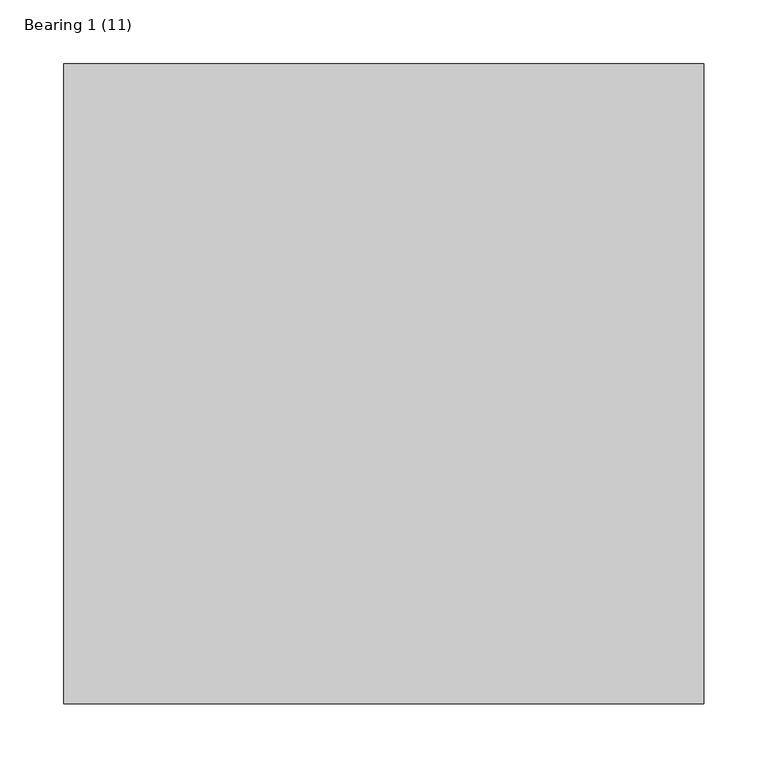
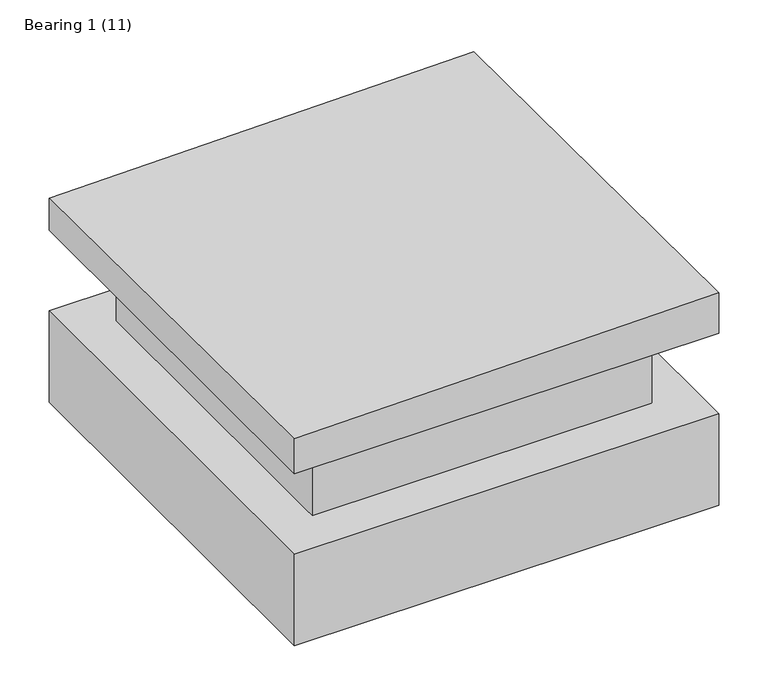
"""IFC4 building model written with IfcOpenShell, lengths in millimetres: proxy geometry, Bearing 1 (11)."""

import ifcopenshell
import ifcopenshell.guid

model = None  # the IFC model being written
_history = None  # IfcOwnerHistory: only IFC2X3 demands one
_inside = {}  # id of a spatial element -> (the spatial element, [elements in it])
_under = {}  # id of a project, library or spatial element -> (it, [spatial elements below it])
_declared = {}  # id of a project -> (the project, [libraries it declares])
_typed = {}  # id of a type object -> (the type object, [elements of that type])
_made_of = {}  # id of a material, layer set ... -> (it, [elements and type objects made of it])


def new_model(schema):
    """Start an empty IFC model of exactly this schema.

    Asked for "IFC4X3", IfcOpenShell would pick the latest addendum, in which some entities
    have other attributes; the version numbers below select the first issue.
    IFC2X3 requires an IfcOwnerHistory on every rooted entity: one is made here for all.
    """
    global model, _history
    if schema == "IFC4X3":
        model = ifcopenshell.file(schema_version=(4, 3, 0, 0))
    else:
        model = ifcopenshell.file(schema=schema)
    _inside.clear()
    _under.clear()
    _declared.clear()
    _typed.clear()
    _made_of.clear()
    _history = None
    if model.schema == "IFC2X3":
        org = make("IfcOrganization", Name="unknown")
        user = make(
            "IfcPersonAndOrganization",
            ThePerson=make("IfcPerson", FamilyName="unknown"),
            TheOrganization=org,
        )
        app = make(
            "IfcApplication",
            ApplicationDeveloper=org,
            Version="unknown",
            ApplicationFullName="unknown",
            ApplicationIdentifier="unknown",
        )
        _history = make(
            "IfcOwnerHistory",
            OwningUser=user,
            OwningApplication=app,
            ChangeAction="ADDED",
            CreationDate=0,
        )
    return model


def make(cls, **values):
    """One entity of the class cls with the attributes given. An attribute that is None is left unset."""
    return model.create_entity(
        cls, **{name: value for name, value in values.items() if value is not None}
    )


def rooted(cls, **values):
    """An entity with a GlobalId (a new one), such as an element, a storey or a relation."""
    return make(cls, GlobalId=ifcopenshell.guid.new(), OwnerHistory=_history, **values)


def si_unit(unit_type, name, prefix=None):
    """IfcSIUnit, for example si_unit("LENGTHUNIT", "METRE", prefix="MILLI")."""
    return make("IfcSIUnit", UnitType=unit_type, Prefix=prefix, Name=name)


def assignment(units):
    """IfcUnitAssignment: the units of a project."""
    return None if units is None else make("IfcUnitAssignment", Units=units)


def point(xyz):
    """IfcCartesianPoint."""
    return None if xyz is None else make("IfcCartesianPoint", Coordinates=xyz)


def direction(xyz):
    """IfcDirection."""
    return None if xyz is None else make("IfcDirection", DirectionRatios=xyz)


def frame(location, z_axis=None, x_axis=None):
    """IfcAxis2Placement3D, a coordinate frame: its origin and axes. An axis left out is left unset."""
    return make(
        "IfcAxis2Placement3D",
        Location=point(location),
        Axis=direction(z_axis),
        RefDirection=direction(x_axis),
    )


def origin():
    """The frame at (0, 0, 0) with its axes left unset."""
    return frame((0.0, 0.0, 0.0))


def origin_with_axes():
    """The frame at (0, 0, 0) with the z axis (0, 0, 1) and the x axis (1, 0, 0) written out."""
    return frame((0.0, 0.0, 0.0), z_axis=(0.0, 0.0, 1.0), x_axis=(1.0, 0.0, 0.0))


def place(relative_to, where):
    """IfcLocalPlacement: puts the frame where relative to a parent placement (None: the world)."""
    return make(
        "IfcLocalPlacement", PlacementRelTo=relative_to, RelativePlacement=where
    )


def context(
    kind, dimensions, precision=None, world=None, true_north=None, identifier=None
):
    """IfcGeometricRepresentationContext, for example the 3D "Model" context."""
    return make(
        "IfcGeometricRepresentationContext",
        ContextIdentifier=identifier,
        ContextType=kind,
        CoordinateSpaceDimension=dimensions,
        Precision=precision,
        WorldCoordinateSystem=world,
        TrueNorth=true_north,
    )


def project(units=None, contexts=None):
    """IfcProject with its units and contexts."""
    return rooted(
        "IfcProject",
        Name="project",
        RepresentationContexts=contexts,
        UnitsInContext=assignment(units),
    )


def spatial(cls, under=None, at=None, **own):
    """A site, building, storey or space (cls), placed at a placement, below another one or the project."""
    s = rooted(cls, ObjectPlacement=at, **own)
    if under is not None:
        _under.setdefault(under.id(), (under, []))[1].append(s)
    return s


def polyline(points):
    """IfcPolyline through the points."""
    return make("IfcPolyline", Points=[point(p) for p in points])


def outline(outer, holes=None, kind="AREA"):
    """IfcArbitraryClosedProfileDef: a profile drawn as a closed curve; with holes, ...WithVoids."""
    if holes is None:
        return make("IfcArbitraryClosedProfileDef", ProfileType=kind, OuterCurve=outer)
    return make(
        "IfcArbitraryProfileDefWithVoids",
        ProfileType=kind,
        OuterCurve=outer,
        InnerCurves=holes,
    )


def extrude(swept, where, along, depth):
    """IfcExtrudedAreaSolid: the profile swept, set in the frame where, extruded along a direction by depth."""
    return make(
        "IfcExtrudedAreaSolid",
        SweptArea=swept,
        Position=where,
        ExtrudedDirection=direction(along),
        Depth=depth,
    )


def faces_of(points, faces, orient=None, outer=None):
    """IfcFace entities. A face is a list of loops; a loop is a list of indices into points, from 0.

    orient and outer hold one flag for each loop. By default every Orientation is true, the
    first loop of a face is its IfcFaceOuterBound and the others are IfcFaceBound.
    """
    made = []
    for i, loops in enumerate(faces):
        bounds = []
        for j, loop in enumerate(loops):
            is_outer = j == 0 if outer is None else outer[i][j]
            bounds.append(
                make(
                    "IfcFaceOuterBound" if is_outer else "IfcFaceBound",
                    Bound=make("IfcPolyLoop", Polygon=[points[k] for k in loop]),
                    Orientation=True if orient is None else orient[i][j],
                )
            )
        made.append(make("IfcFace", Bounds=bounds))
    return made


def faceted_brep(points, faces, orient=None, outer=None, voids=None):
    """IfcFacetedBrep: a solid bounded by flat faces; with voids (closed shells), ...WithVoids."""
    shared = [point(p) for p in points]
    hull = make("IfcClosedShell", CfsFaces=faces_of(shared, faces, orient, outer))
    if voids is None:
        return make("IfcFacetedBrep", Outer=hull)
    return make(
        "IfcFacetedBrepWithVoids",
        Outer=hull,
        Voids=[
            make(cls, CfsFaces=faces_of(shared, fs, o, b)) for cls, fs, o, b in voids
        ],
    )


def shape(context_of_items, identifier, shape_type, items):
    """IfcShapeRepresentation: the items that make up one representation, for example the "Body"."""
    return make(
        "IfcShapeRepresentation",
        ContextOfItems=context_of_items,
        RepresentationIdentifier=identifier,
        RepresentationType=shape_type,
        Items=items,
    )


def source(mapping_origin, context_of_items, identifier, shape_type, items):
    """IfcRepresentationMap: a shape defined once, which mapped items show again and again."""
    return make(
        "IfcRepresentationMap",
        MappingOrigin=mapping_origin,
        MappedRepresentation=shape(context_of_items, identifier, shape_type, items),
    )


def transform(
    local_origin,
    x_axis=None,
    y_axis=None,
    z_axis=None,
    scale=None,
    scale2=None,
    scale3=None,
    uniform=True,
):
    """IfcCartesianTransformationOperator3D, or its non-uniform kind. x_axis, y_axis, z_axis: its Axis1, 2, 3."""
    if uniform:
        return make(
            "IfcCartesianTransformationOperator3D",
            Axis1=direction(x_axis),
            Axis2=direction(y_axis),
            LocalOrigin=point(local_origin),
            Scale=scale,
            Axis3=direction(z_axis),
        )
    return make(
        "IfcCartesianTransformationOperator3DnonUniform",
        Axis1=direction(x_axis),
        Axis2=direction(y_axis),
        LocalOrigin=point(local_origin),
        Scale=scale,
        Axis3=direction(z_axis),
        Scale2=scale2,
        Scale3=scale3,
    )


def mapped(mapping_source, mapping_target):
    """IfcMappedItem: shows the shape of a source again, moved by a transform."""
    return make(
        "IfcMappedItem", MappingSource=mapping_source, MappingTarget=mapping_target
    )


def made_of(thing, what):
    """Note that an element or type object is made of a material, layer set ...; save() writes the relation."""
    if what is not None:
        _made_of.setdefault(what.id(), (what, []))[1].append(thing)
    return thing


def element(
    cls,
    number,
    at=None,
    inside=None,
    cuts=None,
    type_object=None,
    material=None,
    context=None,
    identifier="Body",
    shape_type=None,
    held_by="IfcProductDefinitionShape",
    body=None,
    shapes=None,
    **own,
):
    """One element of the class cls, such as IfcWall. Its Tag is "e" and its number.

    at: its placement. inside: the storey or other place that contains it. cuts: it is an
    opening in that element (IfcRelVoidsElement). A single representation is given by context,
    identifier, shape_type and body (its items); several are given by shapes. held_by: the class
    of the entity that holds the representations. save() writes the other relations.
    """
    e = rooted(cls, Tag="e%d" % number, ObjectPlacement=at, **own)
    if body is not None:
        shapes = [shape(context, identifier, shape_type, body)]
    if shapes is not None:
        e.Representation = make(held_by, Representations=shapes)
    if inside is not None:
        _inside.setdefault(inside.id(), (inside, []))[1].append(e)
    if cuts is not None:
        rooted(
            "IfcRelVoidsElement", RelatingBuildingElement=cuts, RelatedOpeningElement=e
        )
    if type_object is not None:
        _typed.setdefault(type_object.id(), (type_object, []))[1].append(e)
    return made_of(e, material)


def aggregate(whole, parts):
    """IfcRelAggregates: a whole, such as a stair, and the parts it consists of."""
    return rooted("IfcRelAggregates", RelatingObject=whole, RelatedObjects=parts)


def save(model, path):
    """Write the relations noted so far, then the file.

    IfcRelAggregates (storeys below a building ...), IfcRelContainedInSpatialStructure (elements
    in a storey), IfcRelDefinesByType, IfcRelAssociatesMaterial and IfcRelDeclares: one each for
    every whole, place, type object, material and project.
    """
    for whole, parts in _under.values():
        aggregate(whole, parts)
    for where, things in _inside.values():
        rooted(
            "IfcRelContainedInSpatialStructure",
            RelatedElements=things,
            RelatingStructure=where,
        )
    for kind, things in _typed.values():
        rooted("IfcRelDefinesByType", RelatedObjects=things, RelatingType=kind)
    for what, things in _made_of.values():
        rooted("IfcRelAssociatesMaterial", RelatedObjects=things, RelatingMaterial=what)
    for by, libraries in _declared.values():
        rooted("IfcRelDeclares", RelatingContext=by, RelatedDefinitions=libraries)
    model.write(path)


def bearing_1_11_078320f3(model_context):
    return source(origin(), model_context, "Body", "SolidModel", [
        extrude(outline(polyline([(-250.0, 250.0), (250.0, 250.0), (250.0, -250.0), (-250.0, -250.0), (-250.0, 250.0)])), origin_with_axes(), (0.0, 0.0, 1.0), 114.0),
        faceted_brep([(-250.0, -250.0, 214.0), (250.0, -250.0, 214.0), (250.0, -250.0, 264.6559455), (-250.0, -250.0, 257.5956194), (-250.0, 250.0, 214.0), (-250.0, 250.0, 253.9998208), (250.0, 250.0, 214.0), (250.0, 250.0, 261.0601468)], [[[0, 1, 2, 3]], [[4, 0, 3, 5]], [[6, 4, 5, 7]], [[1, 6, 7, 2]], [[2, 7, 5, 3]], [[6, 1, 0, 4]]]),
        extrude(outline(polyline([(200.0, -200.0), (-200.0, -200.0), (-200.0, 200.0), (200.0, 200.0), (200.0, -200.0)])), frame((0.0, 0.0, 114.0), z_axis=(0.0, 0.0, 1.0), x_axis=(1.0, 0.0, 0.0)), (0.0, 0.0, 1.0), 100.0),
    ])


if __name__ == "__main__":
    model = new_model("IFC4")
    model_context = context("Model", 3, world=origin())
    ifc_project = project(units=[si_unit("LENGTHUNIT", "METRE", prefix="MILLI")], contexts=[model_context])
    site = spatial("IfcSite", under=ifc_project)
    building = spatial("IfcBuilding", under=site)
    placement = place(None, origin())
    bearing_1_11_shape = bearing_1_11_078320f3(model_context)
    element("IfcBuildingElementProxy", 1, Name="Bearing 1 (11)", ObjectType="Bearing 1 (11)", at=placement, inside=building, context=model_context, shape_type="MappedRepresentation", body=[
        mapped(bearing_1_11_shape, transform((0.0, 0.0, 0.0), x_axis=(1.0, 0.0, 0.0), y_axis=(0.0, 1.0, 0.0), z_axis=(0.0, 0.0, 1.0))),
    ])
    save(model, "model.ifc")
